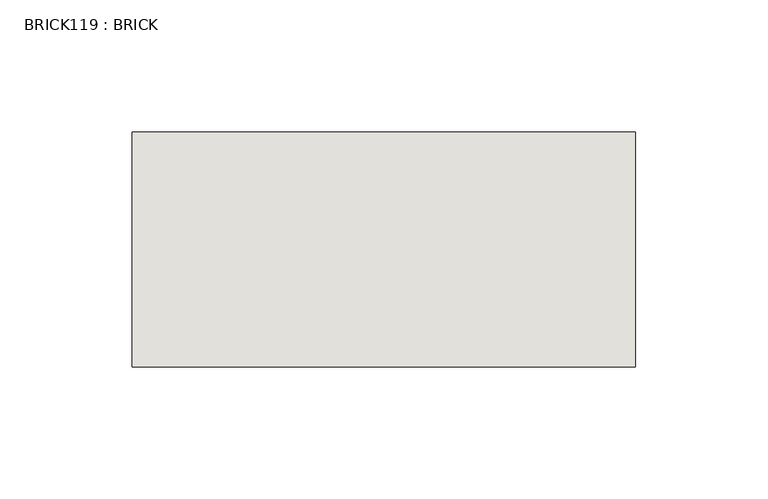
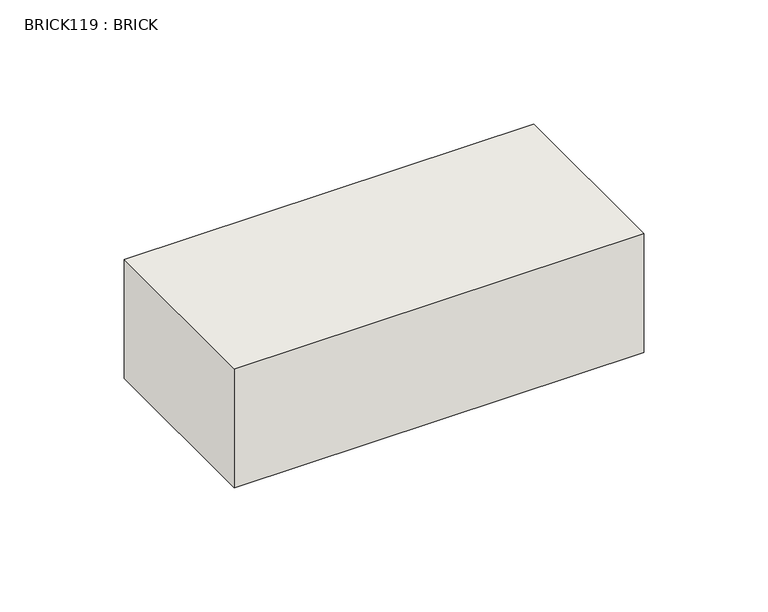
"""IFC4 building model written with IfcOpenShell, lengths in millimetres: wall geometry, BRICK119 : BRICK."""

from ifc_helpers import new_model, si_unit, frame, origin, place, context, project, spatial, polyline, outline, extrude, source, transform, mapped, element, save


def brick119_brick_18841858(model_context):
    return source(origin(), model_context, "Body", "SweptSolid", [
        extrude(outline(polyline([(631.6530711, 2586.2274125), (822.1530711, 2586.2274125), (822.1530711, 2497.3274125), (631.6530711, 2497.3274125), (631.6530711, 2586.2274125)])), frame((0.0, 0.0, 353.7148438), z_axis=(0.0, 0.0, 1.0), x_axis=(1.0, 0.0, 0.0)), (0.0, 0.0, 1.0), 58.4398437),
    ])


if __name__ == "__main__":
    model = new_model("IFC4")
    model_context = context("Model", 3, world=origin())
    ifc_project = project(units=[si_unit("LENGTHUNIT", "METRE", prefix="MILLI")], contexts=[model_context])
    site = spatial("IfcSite", under=ifc_project)
    building = spatial("IfcBuilding", under=site)
    placement = place(None, origin())
    brick119_brick_shape = brick119_brick_18841858(model_context)
    element("IfcWall", 1, ObjectType="BRICK119 : BRICK", at=placement, inside=building, context=model_context, shape_type="MappedRepresentation", body=[
        mapped(brick119_brick_shape, transform((0.0, 0.0, 0.0), x_axis=(1.0, 0.0, 0.0), y_axis=(0.0, 1.0, 0.0), z_axis=(0.0, 0.0, 1.0))),
    ])
    save(model, "model.ifc")
